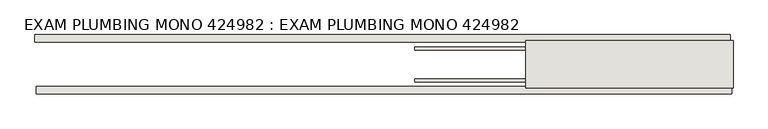
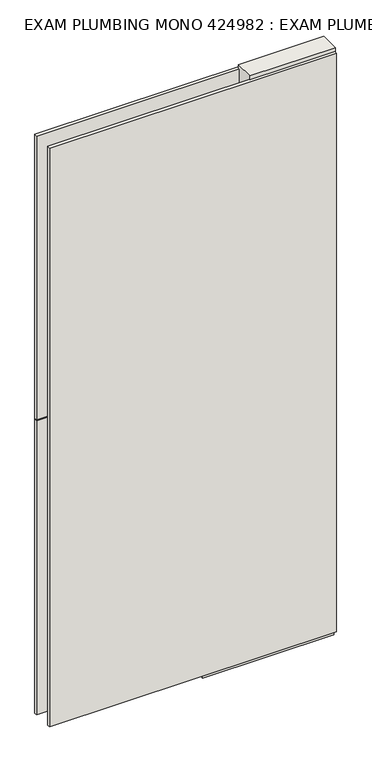
"""IFC4 building model written with IfcOpenShell, lengths in millimetres: wall geometry, EXAM PLUMBING MONO 424982 : EXAM PLUMBING MONO 424982."""

from ifc_helpers import new_model, si_unit, frame, origin, place, context, project, spatial, polyline, outline, extrude, source, transform, mapped, element, save


def exam_plumbing_mono_424982_exam_plumbing_mono_424982_9b863a09(model_context):
    return source(origin(), model_context, "Body", "SweptSolid", [
        extrude(outline(polyline([(72157.568918, -43072.0636398), (72160.108918, -43072.0636398), (72160.108918, -43074.6036398), (72157.568918, -43074.6036398), (72157.568918, -43072.0636398)])), frame((0.0, 0.0, 4419.6), z_axis=(0.0, 0.0, 1.0), x_axis=(1.0, 0.0, 0.0)), (0.0, 0.0, 1.0), 2.54),
        extrude(outline(polyline([(72158.1122113, -43124.1336398), (70964.3641543, -43124.1336398), (70964.3641543, -43111.4336398), (72158.1122113, -43111.4336398), (72158.1122113, -43124.1336398)])), frame((0.0, 0.0, 4445.0), z_axis=(0.0, 0.0, 1.0), x_axis=(1.0, 0.0, 0.0)), (0.0, 0.0, 1.0), 2545.0498756),
        extrude(outline(polyline([(70961.8960871, -43022.5336398), (72155.6441441, -43022.5336398), (72155.6441441, -43035.2336398), (70961.8960871, -43035.2336398), (70961.8960871, -43022.5336398)])), frame((0.0, 0.0, 4445.0), z_axis=(0.0, 0.0, 1.0), x_axis=(1.0, 0.0, 0.0)), (0.0, 0.0, 1.0), 1293.400004),
        extrude(outline(polyline([(70961.8960871, -43022.5336398), (72155.6441441, -43022.5336398), (72155.6441441, -43035.2336398), (70961.8960871, -43035.2336398), (70961.8960871, -43022.5336398)])), frame((0.0, 0.0, 5742.399869), z_axis=(0.0, 0.0, 1.0), x_axis=(1.0, 0.0, 0.0)), (0.0, 0.0, 1.0), 1247.649905),
        extrude(outline(polyline([(71614.003965, -43098.4142856), (72160.103965, -43098.4142856), (72160.103965, -43103.4961398), (71614.003965, -43103.4961398), (71614.003965, -43098.4142856)])), frame((0.0, 0.0, 4418.6602), z_axis=(0.0, 0.0, 1.0), x_axis=(1.0, 0.0, 0.0)), (0.0, 0.0, 1.0), 47.625),
        extrude(outline(polyline([(71614.003965, -43098.4142856), (72160.103965, -43098.4142856), (72160.103965, -43103.4961398), (71614.003965, -43103.4961398), (71614.003965, -43098.4142856)])), frame((0.0, 0.0, 4418.6602), z_axis=(0.0, 0.0, 1.0), x_axis=(1.0, 0.0, 0.0)), (0.0, 0.0, 1.0), 47.625),
        extrude(outline(polyline([(72160.103965, -43048.2498952), (71614.003965, -43048.2498952), (71614.003965, -43043.1711398), (72160.103965, -43043.1711398), (72160.103965, -43048.2498952)])), frame((0.0, 0.0, 4418.6602), z_axis=(0.0, 0.0, 1.0), x_axis=(1.0, 0.0, 0.0)), (0.0, 0.0, 1.0), 47.625),
        extrude(outline(polyline([(72160.103965, -43048.2498952), (71614.003965, -43048.2498952), (71614.003965, -43043.1711398), (72160.103965, -43043.1711398), (72160.103965, -43048.2498952)])), frame((0.0, 0.0, 4418.6602), z_axis=(0.0, 0.0, 1.0), x_axis=(1.0, 0.0, 0.0)), (0.0, 0.0, 1.0), 47.625),
        extrude(outline(polyline([(71804.503965, -43113.9854254), (71804.503965, -43032.70667), (72160.103965, -43032.70667), (72160.103965, -43113.9854254), (71804.503965, -43113.9854254)])), frame((0.0, 0.0, 4445.0), z_axis=(0.0, 0.0, 1.0), x_axis=(1.0, 0.0, 0.0)), (0.0, 0.0, 1.0), 2562.4536762),
    ])


if __name__ == "__main__":
    model = new_model("IFC4")
    model_context = context("Model", 3, world=origin())
    ifc_project = project(units=[si_unit("LENGTHUNIT", "METRE", prefix="MILLI")], contexts=[model_context])
    site = spatial("IfcSite", under=ifc_project)
    building = spatial("IfcBuilding", under=site)
    placement = place(None, origin())
    exam_plumbing_mono_424982_exam_plumbing_mono_424982_shape = exam_plumbing_mono_424982_exam_plumbing_mono_424982_9b863a09(model_context)
    element("IfcWall", 1, ObjectType="EXAM PLUMBING MONO 424982 : EXAM PLUMBING MONO 424982", at=placement, inside=building, context=model_context, shape_type="MappedRepresentation", body=[
        mapped(exam_plumbing_mono_424982_exam_plumbing_mono_424982_shape, transform((0.0, 0.0, 0.0), x_axis=(1.0, 0.0, 0.0), y_axis=(0.0, 1.0, 0.0), z_axis=(0.0, 0.0, 1.0))),
    ])
    save(model, "model.ifc")
